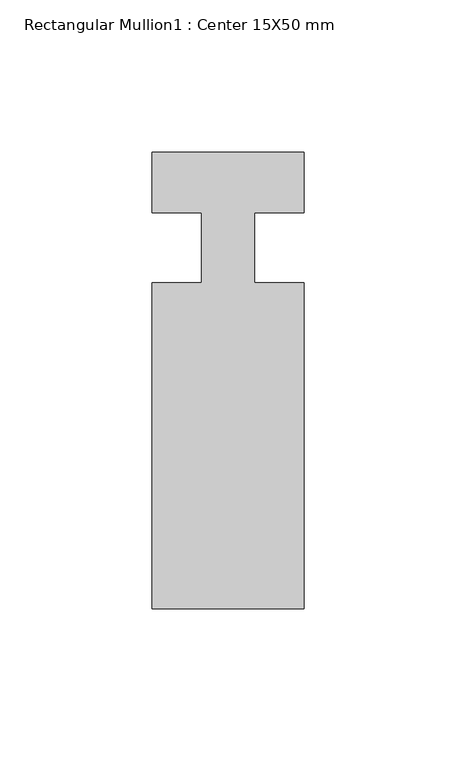
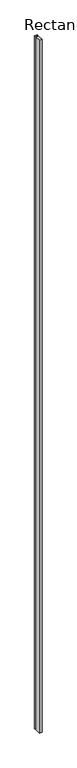
"""IFC4 building model written with IfcOpenShell, lengths in millimetres: member geometry, Rectangular Mullion1 : Center 15X50 mm."""

from ifc_helpers import new_model, si_unit, frame, origin, place, context, project, spatial, polyline, outline, extrude, source, transform, mapped, element, save


def rectangular_mullion1_center_15x50_mm_954af626(model_context):
    return source(origin(), model_context, "Body", "SweptSolid", [
        extrude(outline(polyline([(0.0, 17.0), (0.0, -3.0), (-16.3125, -3.0), (-16.3125, -25.8846154), (0.0, -25.8846154), (0.0, -133.0), (-50.0, -133.0), (-50.0, -25.8846154), (-33.6875, -25.8846154), (-33.6875, -3.0), (-50.0, -3.0), (-50.0, 17.0), (0.0, 17.0)])), frame((0.0, 0.0, -13800.0), z_axis=(0.0, 0.0, 1.0), x_axis=(1.0, 0.0, 0.0)), (0.0, 0.0, 1.0), 13800.0),
    ])


if __name__ == "__main__":
    model = new_model("IFC4")
    model_context = context("Model", 3, world=origin())
    ifc_project = project(units=[si_unit("LENGTHUNIT", "METRE", prefix="MILLI")], contexts=[model_context])
    site = spatial("IfcSite", under=ifc_project)
    building = spatial("IfcBuilding", under=site)
    placement = place(None, origin())
    rectangular_mullion1_center_15x50_mm_shape = rectangular_mullion1_center_15x50_mm_954af626(model_context)
    element("IfcMember", 1, ObjectType="Rectangular Mullion1 : Center 15X50 mm", at=placement, inside=building, context=model_context, shape_type="MappedRepresentation", body=[
        mapped(rectangular_mullion1_center_15x50_mm_shape, transform((0.0, 0.0, 0.0), x_axis=(1.0, 0.0, 0.0), y_axis=(0.0, 1.0, 0.0), z_axis=(0.0, 0.0, 1.0))),
    ])
    save(model, "model.ifc")
